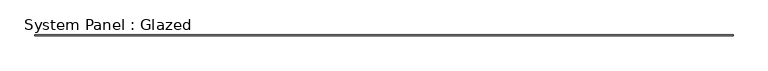
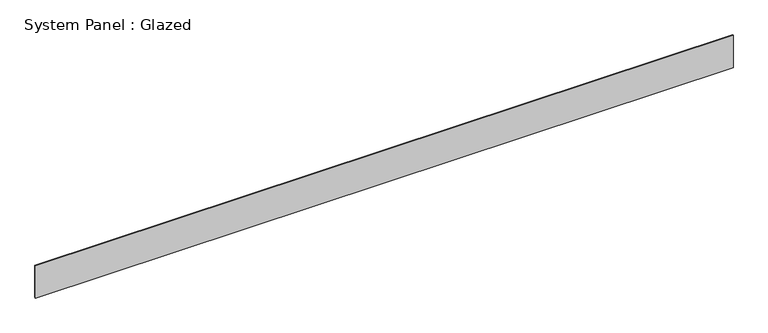
"""IFC4 building model written with IfcOpenShell, lengths in millimetres: plate geometry, System Panel : Glazed."""

from ifc_helpers import new_model, si_unit, origin, origin_with_axes, place, context, project, spatial, polyline, outline, extrude, source, transform, mapped, element, save


def system_panel_glazed_0a9220c5(model_context):
    return source(origin(), model_context, "Body", "SweptSolid", [
        extrude(outline(polyline([(8749.4153167, 24.5), (-8749.4153167, 24.5), (-8749.4153167, 49.5), (8749.4153167, 49.5), (8749.4153167, 24.5)])), origin_with_axes(), (0.0, 0.0, 1.0), 850.0),
    ])


if __name__ == "__main__":
    model = new_model("IFC4")
    model_context = context("Model", 3, world=origin())
    ifc_project = project(units=[si_unit("LENGTHUNIT", "METRE", prefix="MILLI")], contexts=[model_context])
    site = spatial("IfcSite", under=ifc_project)
    building = spatial("IfcBuilding", under=site)
    placement = place(None, origin())
    system_panel_glazed_shape = system_panel_glazed_0a9220c5(model_context)
    element("IfcPlate", 1, ObjectType="System Panel : Glazed", at=placement, inside=building, context=model_context, shape_type="MappedRepresentation", body=[
        mapped(system_panel_glazed_shape, transform((0.0, 0.0, 0.0), x_axis=(1.0, 0.0, 0.0), y_axis=(0.0, 1.0, 0.0), z_axis=(0.0, 0.0, 1.0))),
    ])
    save(model, "model.ifc")
